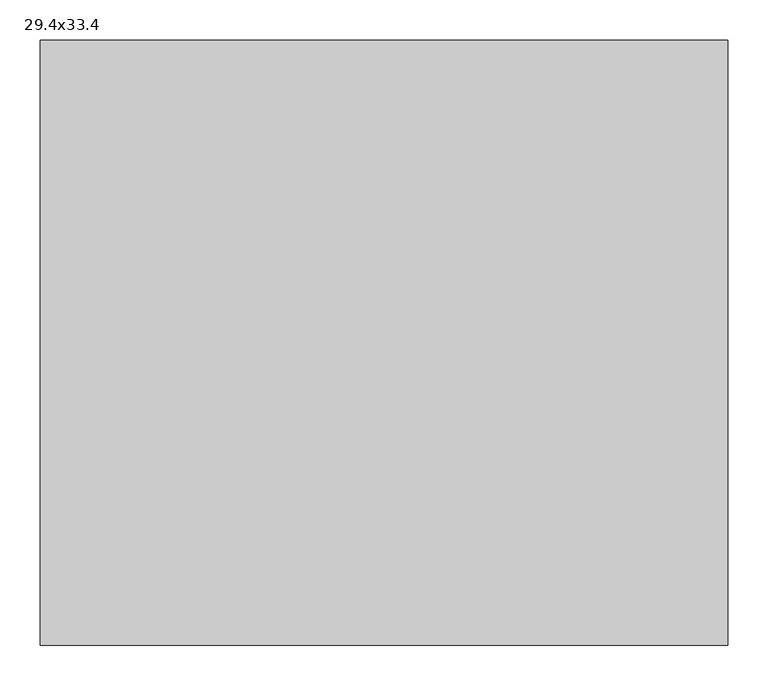
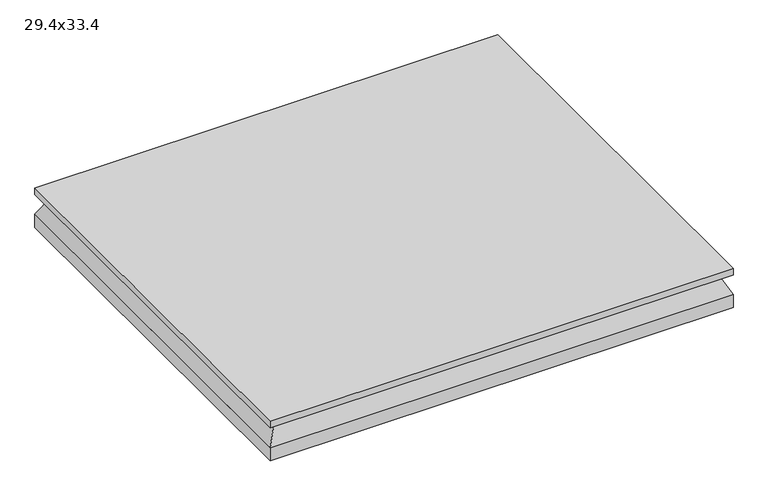
"""IFC4 building model written with IfcOpenShell, lengths in millimetres: air terminal geometry, 29.4x33.4."""

from ifc_helpers import new_model, si_unit, frame, origin, origin_with_axes, place, context, project, spatial, polyline, outline, extrude, faceted_brep, source, transform, mapped, element, save


def air_terminal_29_4x33_4_a6035267(model_context):
    return source(origin(), model_context, "Body", "SolidModel", [
        faceted_brep([(-405.13, -354.33, 0.0), (405.13, -354.33, 0.0), (405.13, 354.33, 0.0), (-405.13, 354.33, 0.0), (-424.1601562, -373.3601563, -38.1), (-424.1601562, 373.3601562, -38.1), (424.1601563, 373.3601562, -38.1), (424.1601563, -373.3601563, -38.1)], [[[0, 1, 2, 3]], [[4, 5, 6, 7]], [[4, 7, 1, 0]], [[7, 6, 2, 1]], [[6, 5, 3, 2]], [[5, 4, 0, 3]]]),
        extrude(outline(polyline([(424.18, 373.38), (424.18, -373.38), (-424.18, -373.38), (-424.18, 373.38), (424.18, 373.38)])), origin_with_axes(), (0.0, 0.0, 1.0), 12.7),
        extrude(outline(polyline([(-424.1601562, 373.3601562), (424.1601563, 373.3601562), (424.1601563, -373.3601563), (-424.1601562, -373.3601563), (-424.1601562, 373.3601562)])), frame((0.0, 0.0, -63.5), z_axis=(0.0, 0.0, 1.0), x_axis=(1.0, 0.0, 0.0)), (0.0, 0.0, 1.0), 25.4),
    ])


if __name__ == "__main__":
    model = new_model("IFC4")
    model_context = context("Model", 3, world=origin())
    ifc_project = project(units=[si_unit("LENGTHUNIT", "METRE", prefix="MILLI")], contexts=[model_context])
    site = spatial("IfcSite", under=ifc_project)
    building = spatial("IfcBuilding", under=site)
    placement = place(None, origin())
    air_terminal_29_4x33_4_shape = air_terminal_29_4x33_4_a6035267(model_context)
    element("IfcAirTerminal", 1, ObjectType="29.4x33.4", at=placement, inside=building, context=model_context, shape_type="MappedRepresentation", body=[
        mapped(air_terminal_29_4x33_4_shape, transform((0.0, 0.0, 0.0), x_axis=(1.0, 0.0, 0.0), y_axis=(0.0, 1.0, 0.0), z_axis=(0.0, 0.0, 1.0))),
    ])
    save(model, "model.ifc")
